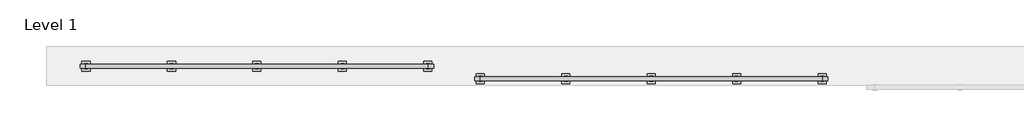
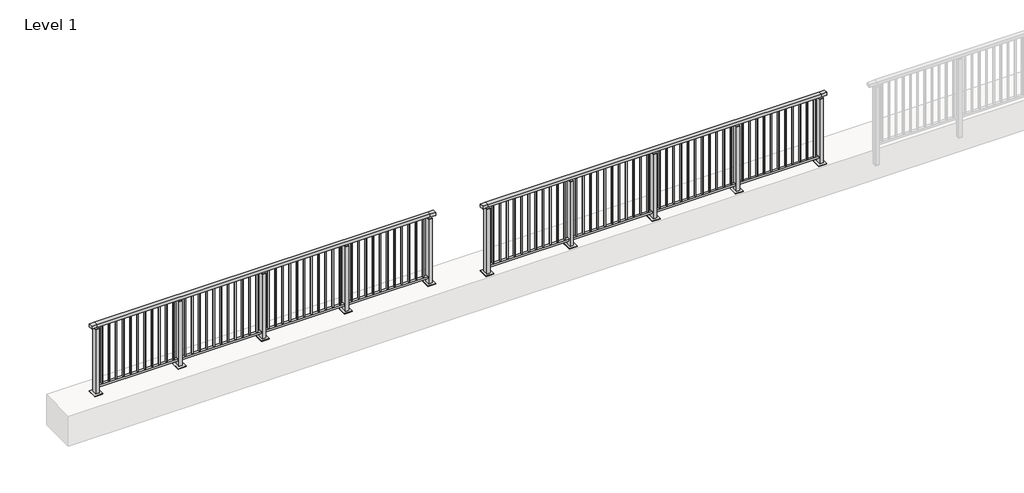
# One storey, part 8 of 38: 2 railings.
"""IFC4 building model written with IfcOpenShell, lengths in millimetres."""

from ifc_helpers import new_model, si_unit, frame, origin, origin_with_axes, place, context, project, spatial, polyline, outline, extrude, faceted_brep, element, save

model = new_model("IFC4")

# Units and contexts
model_context = context("Model", 3, world=origin())
ifc_project = project(units=[si_unit("LENGTHUNIT", "METRE", prefix="MILLI")], contexts=[model_context])

# Site, building, storey
site = spatial("IfcSite", under=ifc_project)
building = spatial("IfcBuilding", under=site)
storey = spatial("IfcBuildingStorey", under=building, Name="Level 1", Elevation=0.0)

# Railings
placement = place(None, origin())
element("IfcRailing", 1, at=placement, inside=storey, context=model_context, shape_type="SolidModel", body=[
    faceted_brep([(0.0, 15220.1846828, 1102.5), (0.0, 15220.1846828, 1150.0), (5200.0, 15220.1846828, 1150.0), (5200.0, 15220.1846828, 1102.5), (0.0, 15160.1846828, 1102.5), (5200.0, 15160.1846828, 1102.5), (0.0, 15160.1846828, 1150.0), (5200.0, 15160.1846828, 1150.0), (-87.5, 15220.1846828, 1150.0), (-87.5, 15220.1846828, 1102.5), (-87.5, 15160.1846828, 1102.5), (-87.5, 15160.1846828, 1150.0), (5287.5, 15220.1846828, 1150.0), (5287.5, 15160.1846828, 1150.0), (5287.5, 15160.1846828, 1102.5), (5287.5, 15220.1846828, 1102.5)], [[[0, 1, 2, 3]], [[4, 0, 3, 5]], [[6, 4, 5, 7]], [[1, 6, 7, 2]], [[8, 9, 10, 11]], [[9, 8, 1, 0]], [[10, 9, 0, 4]], [[11, 10, 4, 6]], [[8, 11, 6, 1]], [[12, 13, 14, 15]], [[3, 2, 12, 15]], [[5, 3, 15, 14]], [[7, 5, 14, 13]], [[2, 7, 13, 12]]]),
    extrude(outline(polyline([(0.0, 15172.1846828), (0.0, 15208.1846828), (5200.0, 15208.1846828), (5200.0, 15172.1846828), (0.0, 15172.1846828)])), frame((0.0, 0.0, 93.0), z_axis=(0.0, 0.0, 1.0), x_axis=(1.0, 0.0, 0.0)), (0.0, 0.0, 1.0), 32.0),
    extrude(outline(polyline([(5118.5, 15198.6846828), (5118.5, 15181.6846828), (5101.5, 15181.6846828), (5101.5, 15198.6846828), (5118.5, 15198.6846828)])), frame((0.0, 0.0, 125.0), z_axis=(0.0, 0.0, 1.0), x_axis=(1.0, 0.0, 0.0)), (0.0, 0.0, 1.0), 980.0),
    extrude(outline(polyline([(5006.5, 15198.6846828), (5006.5, 15181.6846828), (4989.5, 15181.6846828), (4989.5, 15198.6846828), (5006.5, 15198.6846828)])), frame((0.0, 0.0, 125.0), z_axis=(0.0, 0.0, 1.0), x_axis=(1.0, 0.0, 0.0)), (0.0, 0.0, 1.0), 980.0),
    extrude(outline(polyline([(4894.5, 15198.6846828), (4894.5, 15181.6846828), (4877.5, 15181.6846828), (4877.5, 15198.6846828), (4894.5, 15198.6846828)])), frame((0.0, 0.0, 125.0), z_axis=(0.0, 0.0, 1.0), x_axis=(1.0, 0.0, 0.0)), (0.0, 0.0, 1.0), 980.0),
    extrude(outline(polyline([(4782.5, 15198.6846828), (4782.5, 15181.6846828), (4765.5, 15181.6846828), (4765.5, 15198.6846828), (4782.5, 15198.6846828)])), frame((0.0, 0.0, 125.0), z_axis=(0.0, 0.0, 1.0), x_axis=(1.0, 0.0, 0.0)), (0.0, 0.0, 1.0), 980.0),
    extrude(outline(polyline([(4670.5, 15198.6846828), (4670.5, 15181.6846828), (4653.5, 15181.6846828), (4653.5, 15198.6846828), (4670.5, 15198.6846828)])), frame((0.0, 0.0, 125.0), z_axis=(0.0, 0.0, 1.0), x_axis=(1.0, 0.0, 0.0)), (0.0, 0.0, 1.0), 980.0),
    extrude(outline(polyline([(4558.5, 15198.6846828), (4558.5, 15181.6846828), (4541.5, 15181.6846828), (4541.5, 15198.6846828), (4558.5, 15198.6846828)])), frame((0.0, 0.0, 125.0), z_axis=(0.0, 0.0, 1.0), x_axis=(1.0, 0.0, 0.0)), (0.0, 0.0, 1.0), 980.0),
    extrude(outline(polyline([(4446.5, 15198.6846828), (4446.5, 15181.6846828), (4429.5, 15181.6846828), (4429.5, 15198.6846828), (4446.5, 15198.6846828)])), frame((0.0, 0.0, 125.0), z_axis=(0.0, 0.0, 1.0), x_axis=(1.0, 0.0, 0.0)), (0.0, 0.0, 1.0), 980.0),
    extrude(outline(polyline([(4334.5, 15198.6846828), (4334.5, 15181.6846828), (4317.5, 15181.6846828), (4317.5, 15198.6846828), (4334.5, 15198.6846828)])), frame((0.0, 0.0, 125.0), z_axis=(0.0, 0.0, 1.0), x_axis=(1.0, 0.0, 0.0)), (0.0, 0.0, 1.0), 980.0),
    extrude(outline(polyline([(4222.5, 15198.6846828), (4222.5, 15181.6846828), (4205.5, 15181.6846828), (4205.5, 15198.6846828), (4222.5, 15198.6846828)])), frame((0.0, 0.0, 125.0), z_axis=(0.0, 0.0, 1.0), x_axis=(1.0, 0.0, 0.0)), (0.0, 0.0, 1.0), 980.0),
    extrude(outline(polyline([(4110.5, 15198.6846828), (4110.5, 15181.6846828), (4093.5, 15181.6846828), (4093.5, 15198.6846828), (4110.5, 15198.6846828)])), frame((0.0, 0.0, 125.0), z_axis=(0.0, 0.0, 1.0), x_axis=(1.0, 0.0, 0.0)), (0.0, 0.0, 1.0), 980.0),
    extrude(outline(polyline([(3998.5, 15198.6846828), (3998.5, 15181.6846828), (3981.5, 15181.6846828), (3981.5, 15198.6846828), (3998.5, 15198.6846828)])), frame((0.0, 0.0, 125.0), z_axis=(0.0, 0.0, 1.0), x_axis=(1.0, 0.0, 0.0)), (0.0, 0.0, 1.0), 980.0),
    extrude(outline(polyline([(3910.0, 15180.1846828), (3890.0, 15180.1846828), (3890.0, 15200.1846828), (3910.0, 15200.1846828), (3910.0, 15180.1846828)])), frame((0.0, 0.0, 1085.0), z_axis=(0.0, 0.0, 1.0), x_axis=(1.0, 0.0, 0.0)), (0.0, 0.0, 1.0), 20.0),
    extrude(outline(polyline([(3927.0, 15151.1846828), (3873.0, 15151.1846828), (3873.0, 15229.1846828), (3927.0, 15229.1846828), (3927.0, 15151.1846828)])), frame((0.0, 0.0, 1077.0), z_axis=(0.0, 0.0, 1.0), x_axis=(1.0, 0.0, 0.0)), (0.0, 0.0, 1.0), 8.0),
    extrude(outline(polyline([(3962.5, 15115.1846828), (3837.5, 15115.1846828), (3837.5, 15265.1846828), (3962.5, 15265.1846828), (3962.5, 15115.1846828)])), origin_with_axes(), (0.0, 0.0, 1.0), 12.0),
    extrude(outline(polyline([(3927.0, 15151.1846828), (3873.0, 15151.1846828), (3873.0, 15229.1846828), (3927.0, 15229.1846828), (3927.0, 15151.1846828)])), frame((0.0, 0.0, 12.0), z_axis=(0.0, 0.0, 1.0), x_axis=(1.0, 0.0, 0.0)), (0.0, 0.0, 1.0), 1065.0),
    extrude(outline(polyline([(3818.5, 15198.6846828), (3818.5, 15181.6846828), (3801.5, 15181.6846828), (3801.5, 15198.6846828), (3818.5, 15198.6846828)])), frame((0.0, 0.0, 125.0), z_axis=(0.0, 0.0, 1.0), x_axis=(1.0, 0.0, 0.0)), (0.0, 0.0, 1.0), 980.0),
    extrude(outline(polyline([(3706.5, 15198.6846828), (3706.5, 15181.6846828), (3689.5, 15181.6846828), (3689.5, 15198.6846828), (3706.5, 15198.6846828)])), frame((0.0, 0.0, 125.0), z_axis=(0.0, 0.0, 1.0), x_axis=(1.0, 0.0, 0.0)), (0.0, 0.0, 1.0), 980.0),
    extrude(outline(polyline([(3594.5, 15198.6846828), (3594.5, 15181.6846828), (3577.5, 15181.6846828), (3577.5, 15198.6846828), (3594.5, 15198.6846828)])), frame((0.0, 0.0, 125.0), z_axis=(0.0, 0.0, 1.0), x_axis=(1.0, 0.0, 0.0)), (0.0, 0.0, 1.0), 980.0),
    extrude(outline(polyline([(3482.5, 15198.6846828), (3482.5, 15181.6846828), (3465.5, 15181.6846828), (3465.5, 15198.6846828), (3482.5, 15198.6846828)])), frame((0.0, 0.0, 125.0), z_axis=(0.0, 0.0, 1.0), x_axis=(1.0, 0.0, 0.0)), (0.0, 0.0, 1.0), 980.0),
    extrude(outline(polyline([(3370.5, 15198.6846828), (3370.5, 15181.6846828), (3353.5, 15181.6846828), (3353.5, 15198.6846828), (3370.5, 15198.6846828)])), frame((0.0, 0.0, 125.0), z_axis=(0.0, 0.0, 1.0), x_axis=(1.0, 0.0, 0.0)), (0.0, 0.0, 1.0), 980.0),
    extrude(outline(polyline([(3258.5, 15198.6846828), (3258.5, 15181.6846828), (3241.5, 15181.6846828), (3241.5, 15198.6846828), (3258.5, 15198.6846828)])), frame((0.0, 0.0, 125.0), z_axis=(0.0, 0.0, 1.0), x_axis=(1.0, 0.0, 0.0)), (0.0, 0.0, 1.0), 980.0),
    extrude(outline(polyline([(3146.5, 15198.6846828), (3146.5, 15181.6846828), (3129.5, 15181.6846828), (3129.5, 15198.6846828), (3146.5, 15198.6846828)])), frame((0.0, 0.0, 125.0), z_axis=(0.0, 0.0, 1.0), x_axis=(1.0, 0.0, 0.0)), (0.0, 0.0, 1.0), 980.0),
    extrude(outline(polyline([(3034.5, 15198.6846828), (3034.5, 15181.6846828), (3017.5, 15181.6846828), (3017.5, 15198.6846828), (3034.5, 15198.6846828)])), frame((0.0, 0.0, 125.0), z_axis=(0.0, 0.0, 1.0), x_axis=(1.0, 0.0, 0.0)), (0.0, 0.0, 1.0), 980.0),
    extrude(outline(polyline([(2922.5, 15198.6846828), (2922.5, 15181.6846828), (2905.5, 15181.6846828), (2905.5, 15198.6846828), (2922.5, 15198.6846828)])), frame((0.0, 0.0, 125.0), z_axis=(0.0, 0.0, 1.0), x_axis=(1.0, 0.0, 0.0)), (0.0, 0.0, 1.0), 980.0),
    extrude(outline(polyline([(2810.5, 15198.6846828), (2810.5, 15181.6846828), (2793.5, 15181.6846828), (2793.5, 15198.6846828), (2810.5, 15198.6846828)])), frame((0.0, 0.0, 125.0), z_axis=(0.0, 0.0, 1.0), x_axis=(1.0, 0.0, 0.0)), (0.0, 0.0, 1.0), 980.0),
    extrude(outline(polyline([(2698.5, 15198.6846828), (2698.5, 15181.6846828), (2681.5, 15181.6846828), (2681.5, 15198.6846828), (2698.5, 15198.6846828)])), frame((0.0, 0.0, 125.0), z_axis=(0.0, 0.0, 1.0), x_axis=(1.0, 0.0, 0.0)), (0.0, 0.0, 1.0), 980.0),
    extrude(outline(polyline([(2610.0, 15180.1846828), (2590.0, 15180.1846828), (2590.0, 15200.1846828), (2610.0, 15200.1846828), (2610.0, 15180.1846828)])), frame((0.0, 0.0, 1085.0), z_axis=(0.0, 0.0, 1.0), x_axis=(1.0, 0.0, 0.0)), (0.0, 0.0, 1.0), 20.0),
    extrude(outline(polyline([(2627.0, 15151.1846828), (2573.0, 15151.1846828), (2573.0, 15229.1846828), (2627.0, 15229.1846828), (2627.0, 15151.1846828)])), frame((0.0, 0.0, 1077.0), z_axis=(0.0, 0.0, 1.0), x_axis=(1.0, 0.0, 0.0)), (0.0, 0.0, 1.0), 8.0),
    extrude(outline(polyline([(2662.5, 15115.1846828), (2537.5, 15115.1846828), (2537.5, 15265.1846828), (2662.5, 15265.1846828), (2662.5, 15115.1846828)])), origin_with_axes(), (0.0, 0.0, 1.0), 12.0),
    extrude(outline(polyline([(2627.0, 15151.1846828), (2573.0, 15151.1846828), (2573.0, 15229.1846828), (2627.0, 15229.1846828), (2627.0, 15151.1846828)])), frame((0.0, 0.0, 12.0), z_axis=(0.0, 0.0, 1.0), x_axis=(1.0, 0.0, 0.0)), (0.0, 0.0, 1.0), 1065.0),
    extrude(outline(polyline([(2518.5, 15198.6846828), (2518.5, 15181.6846828), (2501.5, 15181.6846828), (2501.5, 15198.6846828), (2518.5, 15198.6846828)])), frame((0.0, 0.0, 125.0), z_axis=(0.0, 0.0, 1.0), x_axis=(1.0, 0.0, 0.0)), (0.0, 0.0, 1.0), 980.0),
    extrude(outline(polyline([(2406.5, 15198.6846828), (2406.5, 15181.6846828), (2389.5, 15181.6846828), (2389.5, 15198.6846828), (2406.5, 15198.6846828)])), frame((0.0, 0.0, 125.0), z_axis=(0.0, 0.0, 1.0), x_axis=(1.0, 0.0, 0.0)), (0.0, 0.0, 1.0), 980.0),
    extrude(outline(polyline([(2294.5, 15198.6846828), (2294.5, 15181.6846828), (2277.5, 15181.6846828), (2277.5, 15198.6846828), (2294.5, 15198.6846828)])), frame((0.0, 0.0, 125.0), z_axis=(0.0, 0.0, 1.0), x_axis=(1.0, 0.0, 0.0)), (0.0, 0.0, 1.0), 980.0),
    extrude(outline(polyline([(2182.5, 15198.6846828), (2182.5, 15181.6846828), (2165.5, 15181.6846828), (2165.5, 15198.6846828), (2182.5, 15198.6846828)])), frame((0.0, 0.0, 125.0), z_axis=(0.0, 0.0, 1.0), x_axis=(1.0, 0.0, 0.0)), (0.0, 0.0, 1.0), 980.0),
    extrude(outline(polyline([(2070.5, 15198.6846828), (2070.5, 15181.6846828), (2053.5, 15181.6846828), (2053.5, 15198.6846828), (2070.5, 15198.6846828)])), frame((0.0, 0.0, 125.0), z_axis=(0.0, 0.0, 1.0), x_axis=(1.0, 0.0, 0.0)), (0.0, 0.0, 1.0), 980.0),
    extrude(outline(polyline([(1958.5, 15198.6846828), (1958.5, 15181.6846828), (1941.5, 15181.6846828), (1941.5, 15198.6846828), (1958.5, 15198.6846828)])), frame((0.0, 0.0, 125.0), z_axis=(0.0, 0.0, 1.0), x_axis=(1.0, 0.0, 0.0)), (0.0, 0.0, 1.0), 980.0),
    extrude(outline(polyline([(1846.5, 15198.6846828), (1846.5, 15181.6846828), (1829.5, 15181.6846828), (1829.5, 15198.6846828), (1846.5, 15198.6846828)])), frame((0.0, 0.0, 125.0), z_axis=(0.0, 0.0, 1.0), x_axis=(1.0, 0.0, 0.0)), (0.0, 0.0, 1.0), 980.0),
    extrude(outline(polyline([(1734.5, 15198.6846828), (1734.5, 15181.6846828), (1717.5, 15181.6846828), (1717.5, 15198.6846828), (1734.5, 15198.6846828)])), frame((0.0, 0.0, 125.0), z_axis=(0.0, 0.0, 1.0), x_axis=(1.0, 0.0, 0.0)), (0.0, 0.0, 1.0), 980.0),
    extrude(outline(polyline([(1622.5, 15198.6846828), (1622.5, 15181.6846828), (1605.5, 15181.6846828), (1605.5, 15198.6846828), (1622.5, 15198.6846828)])), frame((0.0, 0.0, 125.0), z_axis=(0.0, 0.0, 1.0), x_axis=(1.0, 0.0, 0.0)), (0.0, 0.0, 1.0), 980.0),
    extrude(outline(polyline([(1510.5, 15198.6846828), (1510.5, 15181.6846828), (1493.5, 15181.6846828), (1493.5, 15198.6846828), (1510.5, 15198.6846828)])), frame((0.0, 0.0, 125.0), z_axis=(0.0, 0.0, 1.0), x_axis=(1.0, 0.0, 0.0)), (0.0, 0.0, 1.0), 980.0),
    extrude(outline(polyline([(1398.5, 15198.6846828), (1398.5, 15181.6846828), (1381.5, 15181.6846828), (1381.5, 15198.6846828), (1398.5, 15198.6846828)])), frame((0.0, 0.0, 125.0), z_axis=(0.0, 0.0, 1.0), x_axis=(1.0, 0.0, 0.0)), (0.0, 0.0, 1.0), 980.0),
    extrude(outline(polyline([(1310.0, 15180.1846828), (1290.0, 15180.1846828), (1290.0, 15200.1846828), (1310.0, 15200.1846828), (1310.0, 15180.1846828)])), frame((0.0, 0.0, 1085.0), z_axis=(0.0, 0.0, 1.0), x_axis=(1.0, 0.0, 0.0)), (0.0, 0.0, 1.0), 20.0),
    extrude(outline(polyline([(1327.0, 15151.1846828), (1273.0, 15151.1846828), (1273.0, 15229.1846828), (1327.0, 15229.1846828), (1327.0, 15151.1846828)])), frame((0.0, 0.0, 1077.0), z_axis=(0.0, 0.0, 1.0), x_axis=(1.0, 0.0, 0.0)), (0.0, 0.0, 1.0), 8.0),
    extrude(outline(polyline([(1362.5, 15115.1846828), (1237.5, 15115.1846828), (1237.5, 15265.1846828), (1362.5, 15265.1846828), (1362.5, 15115.1846828)])), origin_with_axes(), (0.0, 0.0, 1.0), 12.0),
    extrude(outline(polyline([(1327.0, 15151.1846828), (1273.0, 15151.1846828), (1273.0, 15229.1846828), (1327.0, 15229.1846828), (1327.0, 15151.1846828)])), frame((0.0, 0.0, 12.0), z_axis=(0.0, 0.0, 1.0), x_axis=(1.0, 0.0, 0.0)), (0.0, 0.0, 1.0), 1065.0),
    extrude(outline(polyline([(1218.5, 15198.6846828), (1218.5, 15181.6846828), (1201.5, 15181.6846828), (1201.5, 15198.6846828), (1218.5, 15198.6846828)])), frame((0.0, 0.0, 125.0), z_axis=(0.0, 0.0, 1.0), x_axis=(1.0, 0.0, 0.0)), (0.0, 0.0, 1.0), 980.0),
    extrude(outline(polyline([(1106.5, 15198.6846828), (1106.5, 15181.6846828), (1089.5, 15181.6846828), (1089.5, 15198.6846828), (1106.5, 15198.6846828)])), frame((0.0, 0.0, 125.0), z_axis=(0.0, 0.0, 1.0), x_axis=(1.0, 0.0, 0.0)), (0.0, 0.0, 1.0), 980.0),
    extrude(outline(polyline([(994.5, 15198.6846828), (994.5, 15181.6846828), (977.5, 15181.6846828), (977.5, 15198.6846828), (994.5, 15198.6846828)])), frame((0.0, 0.0, 125.0), z_axis=(0.0, 0.0, 1.0), x_axis=(1.0, 0.0, 0.0)), (0.0, 0.0, 1.0), 980.0),
    extrude(outline(polyline([(882.5, 15198.6846828), (882.5, 15181.6846828), (865.5, 15181.6846828), (865.5, 15198.6846828), (882.5, 15198.6846828)])), frame((0.0, 0.0, 125.0), z_axis=(0.0, 0.0, 1.0), x_axis=(1.0, 0.0, 0.0)), (0.0, 0.0, 1.0), 980.0),
    extrude(outline(polyline([(770.5, 15198.6846828), (770.5, 15181.6846828), (753.5, 15181.6846828), (753.5, 15198.6846828), (770.5, 15198.6846828)])), frame((0.0, 0.0, 125.0), z_axis=(0.0, 0.0, 1.0), x_axis=(1.0, 0.0, 0.0)), (0.0, 0.0, 1.0), 980.0),
    extrude(outline(polyline([(658.5, 15198.6846828), (658.5, 15181.6846828), (641.5, 15181.6846828), (641.5, 15198.6846828), (658.5, 15198.6846828)])), frame((0.0, 0.0, 125.0), z_axis=(0.0, 0.0, 1.0), x_axis=(1.0, 0.0, 0.0)), (0.0, 0.0, 1.0), 980.0),
    extrude(outline(polyline([(546.5, 15198.6846828), (546.5, 15181.6846828), (529.5, 15181.6846828), (529.5, 15198.6846828), (546.5, 15198.6846828)])), frame((0.0, 0.0, 125.0), z_axis=(0.0, 0.0, 1.0), x_axis=(1.0, 0.0, 0.0)), (0.0, 0.0, 1.0), 980.0),
    extrude(outline(polyline([(434.5, 15198.6846828), (434.5, 15181.6846828), (417.5, 15181.6846828), (417.5, 15198.6846828), (434.5, 15198.6846828)])), frame((0.0, 0.0, 125.0), z_axis=(0.0, 0.0, 1.0), x_axis=(1.0, 0.0, 0.0)), (0.0, 0.0, 1.0), 980.0),
    extrude(outline(polyline([(322.5, 15198.6846828), (322.5, 15181.6846828), (305.5, 15181.6846828), (305.5, 15198.6846828), (322.5, 15198.6846828)])), frame((0.0, 0.0, 125.0), z_axis=(0.0, 0.0, 1.0), x_axis=(1.0, 0.0, 0.0)), (0.0, 0.0, 1.0), 980.0),
    extrude(outline(polyline([(210.5, 15198.6846828), (210.5, 15181.6846828), (193.5, 15181.6846828), (193.5, 15198.6846828), (210.5, 15198.6846828)])), frame((0.0, 0.0, 125.0), z_axis=(0.0, 0.0, 1.0), x_axis=(1.0, 0.0, 0.0)), (0.0, 0.0, 1.0), 980.0),
    extrude(outline(polyline([(98.5, 15198.6846828), (98.5, 15181.6846828), (81.5, 15181.6846828), (81.5, 15198.6846828), (98.5, 15198.6846828)])), frame((0.0, 0.0, 125.0), z_axis=(0.0, 0.0, 1.0), x_axis=(1.0, 0.0, 0.0)), (0.0, 0.0, 1.0), 980.0),
    extrude(outline(polyline([(5210.0, 15180.1846828), (5190.0, 15180.1846828), (5190.0, 15200.1846828), (5210.0, 15200.1846828), (5210.0, 15180.1846828)])), frame((0.0, 0.0, 1085.0), z_axis=(0.0, 0.0, 1.0), x_axis=(1.0, 0.0, 0.0)), (0.0, 0.0, 1.0), 20.0),
    extrude(outline(polyline([(5227.0, 15151.1846828), (5173.0, 15151.1846828), (5173.0, 15229.1846828), (5227.0, 15229.1846828), (5227.0, 15151.1846828)])), frame((0.0, 0.0, 1077.0), z_axis=(0.0, 0.0, 1.0), x_axis=(1.0, 0.0, 0.0)), (0.0, 0.0, 1.0), 8.0),
    extrude(outline(polyline([(5262.5, 15115.1846828), (5137.5, 15115.1846828), (5137.5, 15265.1846828), (5262.5, 15265.1846828), (5262.5, 15115.1846828)])), origin_with_axes(), (0.0, 0.0, 1.0), 12.0),
    extrude(outline(polyline([(5227.0, 15151.1846828), (5173.0, 15151.1846828), (5173.0, 15229.1846828), (5227.0, 15229.1846828), (5227.0, 15151.1846828)])), frame((0.0, 0.0, 12.0), z_axis=(0.0, 0.0, 1.0), x_axis=(1.0, 0.0, 0.0)), (0.0, 0.0, 1.0), 1065.0),
    extrude(outline(polyline([(10.0, 15180.1846828), (-10.0, 15180.1846828), (-10.0, 15200.1846828), (10.0, 15200.1846828), (10.0, 15180.1846828)])), frame((0.0, 0.0, 1085.0), z_axis=(0.0, 0.0, 1.0), x_axis=(1.0, 0.0, 0.0)), (0.0, 0.0, 1.0), 20.0),
    extrude(outline(polyline([(27.0, 15151.1846828), (-27.0, 15151.1846828), (-27.0, 15229.1846828), (27.0, 15229.1846828), (27.0, 15151.1846828)])), frame((0.0, 0.0, 1077.0), z_axis=(0.0, 0.0, 1.0), x_axis=(1.0, 0.0, 0.0)), (0.0, 0.0, 1.0), 8.0),
    extrude(outline(polyline([(62.5, 15115.1846828), (-62.5, 15115.1846828), (-62.5, 15265.1846828), (62.5, 15265.1846828), (62.5, 15115.1846828)])), origin_with_axes(), (0.0, 0.0, 1.0), 12.0),
    extrude(outline(polyline([(27.0, 15151.1846828), (-27.0, 15151.1846828), (-27.0, 15229.1846828), (27.0, 15229.1846828), (27.0, 15151.1846828)])), frame((0.0, 0.0, 12.0), z_axis=(0.0, 0.0, 1.0), x_axis=(1.0, 0.0, 0.0)), (0.0, 0.0, 1.0), 1065.0),
])
element("IfcRailing", 2, at=placement, inside=storey, context=model_context, shape_type="SolidModel", body=[
    faceted_brep([(6000.0, 15030.1846828, 1102.5), (6000.0, 15030.1846828, 1150.0), (11200.0, 15030.1846828, 1150.0), (11200.0, 15030.1846828, 1102.5), (6000.0, 14970.1846828, 1102.5), (11200.0, 14970.1846828, 1102.5), (6000.0, 14970.1846828, 1150.0), (11200.0, 14970.1846828, 1150.0), (5912.5, 15030.1846828, 1150.0), (5912.5, 15030.1846828, 1102.5), (5912.5, 14970.1846828, 1102.5), (5912.5, 14970.1846828, 1150.0), (11287.5, 15030.1846828, 1150.0), (11287.5, 14970.1846828, 1150.0), (11287.5, 14970.1846828, 1102.5), (11287.5, 15030.1846828, 1102.5)], [[[0, 1, 2, 3]], [[4, 0, 3, 5]], [[6, 4, 5, 7]], [[1, 6, 7, 2]], [[8, 9, 10, 11]], [[9, 8, 1, 0]], [[10, 9, 0, 4]], [[11, 10, 4, 6]], [[8, 11, 6, 1]], [[12, 13, 14, 15]], [[3, 2, 12, 15]], [[5, 3, 15, 14]], [[7, 5, 14, 13]], [[2, 7, 13, 12]]]),
    extrude(outline(polyline([(6000.0, 14982.1846828), (6000.0, 15018.1846828), (11200.0, 15018.1846828), (11200.0, 14982.1846828), (6000.0, 14982.1846828)])), frame((0.0, 0.0, 93.0), z_axis=(0.0, 0.0, 1.0), x_axis=(1.0, 0.0, 0.0)), (0.0, 0.0, 1.0), 32.0),
    extrude(outline(polyline([(11118.5, 15008.6846828), (11118.5, 14991.6846828), (11101.5, 14991.6846828), (11101.5, 15008.6846828), (11118.5, 15008.6846828)])), frame((0.0, 0.0, 125.0), z_axis=(0.0, 0.0, 1.0), x_axis=(1.0, 0.0, 0.0)), (0.0, 0.0, 1.0), 980.0),
    extrude(outline(polyline([(11006.5, 15008.6846828), (11006.5, 14991.6846828), (10989.5, 14991.6846828), (10989.5, 15008.6846828), (11006.5, 15008.6846828)])), frame((0.0, 0.0, 125.0), z_axis=(0.0, 0.0, 1.0), x_axis=(1.0, 0.0, 0.0)), (0.0, 0.0, 1.0), 980.0),
    extrude(outline(polyline([(10894.5, 15008.6846828), (10894.5, 14991.6846828), (10877.5, 14991.6846828), (10877.5, 15008.6846828), (10894.5, 15008.6846828)])), frame((0.0, 0.0, 125.0), z_axis=(0.0, 0.0, 1.0), x_axis=(1.0, 0.0, 0.0)), (0.0, 0.0, 1.0), 980.0),
    extrude(outline(polyline([(10782.5, 15008.6846828), (10782.5, 14991.6846828), (10765.5, 14991.6846828), (10765.5, 15008.6846828), (10782.5, 15008.6846828)])), frame((0.0, 0.0, 125.0), z_axis=(0.0, 0.0, 1.0), x_axis=(1.0, 0.0, 0.0)), (0.0, 0.0, 1.0), 980.0),
    extrude(outline(polyline([(10670.5, 15008.6846828), (10670.5, 14991.6846828), (10653.5, 14991.6846828), (10653.5, 15008.6846828), (10670.5, 15008.6846828)])), frame((0.0, 0.0, 125.0), z_axis=(0.0, 0.0, 1.0), x_axis=(1.0, 0.0, 0.0)), (0.0, 0.0, 1.0), 980.0),
    extrude(outline(polyline([(10558.5, 15008.6846828), (10558.5, 14991.6846828), (10541.5, 14991.6846828), (10541.5, 15008.6846828), (10558.5, 15008.6846828)])), frame((0.0, 0.0, 125.0), z_axis=(0.0, 0.0, 1.0), x_axis=(1.0, 0.0, 0.0)), (0.0, 0.0, 1.0), 980.0),
    extrude(outline(polyline([(10446.5, 15008.6846828), (10446.5, 14991.6846828), (10429.5, 14991.6846828), (10429.5, 15008.6846828), (10446.5, 15008.6846828)])), frame((0.0, 0.0, 125.0), z_axis=(0.0, 0.0, 1.0), x_axis=(1.0, 0.0, 0.0)), (0.0, 0.0, 1.0), 980.0),
    extrude(outline(polyline([(10334.5, 15008.6846828), (10334.5, 14991.6846828), (10317.5, 14991.6846828), (10317.5, 15008.6846828), (10334.5, 15008.6846828)])), frame((0.0, 0.0, 125.0), z_axis=(0.0, 0.0, 1.0), x_axis=(1.0, 0.0, 0.0)), (0.0, 0.0, 1.0), 980.0),
    extrude(outline(polyline([(10222.5, 15008.6846828), (10222.5, 14991.6846828), (10205.5, 14991.6846828), (10205.5, 15008.6846828), (10222.5, 15008.6846828)])), frame((0.0, 0.0, 125.0), z_axis=(0.0, 0.0, 1.0), x_axis=(1.0, 0.0, 0.0)), (0.0, 0.0, 1.0), 980.0),
    extrude(outline(polyline([(10110.5, 15008.6846828), (10110.5, 14991.6846828), (10093.5, 14991.6846828), (10093.5, 15008.6846828), (10110.5, 15008.6846828)])), frame((0.0, 0.0, 125.0), z_axis=(0.0, 0.0, 1.0), x_axis=(1.0, 0.0, 0.0)), (0.0, 0.0, 1.0), 980.0),
    extrude(outline(polyline([(9998.5, 15008.6846828), (9998.5, 14991.6846828), (9981.5, 14991.6846828), (9981.5, 15008.6846828), (9998.5, 15008.6846828)])), frame((0.0, 0.0, 125.0), z_axis=(0.0, 0.0, 1.0), x_axis=(1.0, 0.0, 0.0)), (0.0, 0.0, 1.0), 980.0),
    extrude(outline(polyline([(9910.0, 14990.1846828), (9890.0, 14990.1846828), (9890.0, 15010.1846828), (9910.0, 15010.1846828), (9910.0, 14990.1846828)])), frame((0.0, 0.0, 1085.0), z_axis=(0.0, 0.0, 1.0), x_axis=(1.0, 0.0, 0.0)), (0.0, 0.0, 1.0), 20.0),
    extrude(outline(polyline([(9927.0, 14961.1846828), (9873.0, 14961.1846828), (9873.0, 15039.1846828), (9927.0, 15039.1846828), (9927.0, 14961.1846828)])), frame((0.0, 0.0, 1077.0), z_axis=(0.0, 0.0, 1.0), x_axis=(1.0, 0.0, 0.0)), (0.0, 0.0, 1.0), 8.0),
    extrude(outline(polyline([(9962.5, 14925.1846828), (9837.5, 14925.1846828), (9837.5, 15075.1846828), (9962.5, 15075.1846828), (9962.5, 14925.1846828)])), origin_with_axes(), (0.0, 0.0, 1.0), 12.0),
    extrude(outline(polyline([(9927.0, 14961.1846828), (9873.0, 14961.1846828), (9873.0, 15039.1846828), (9927.0, 15039.1846828), (9927.0, 14961.1846828)])), frame((0.0, 0.0, 12.0), z_axis=(0.0, 0.0, 1.0), x_axis=(1.0, 0.0, 0.0)), (0.0, 0.0, 1.0), 1065.0),
    extrude(outline(polyline([(9818.5, 15008.6846828), (9818.5, 14991.6846828), (9801.5, 14991.6846828), (9801.5, 15008.6846828), (9818.5, 15008.6846828)])), frame((0.0, 0.0, 125.0), z_axis=(0.0, 0.0, 1.0), x_axis=(1.0, 0.0, 0.0)), (0.0, 0.0, 1.0), 980.0),
    extrude(outline(polyline([(9706.5, 15008.6846828), (9706.5, 14991.6846828), (9689.5, 14991.6846828), (9689.5, 15008.6846828), (9706.5, 15008.6846828)])), frame((0.0, 0.0, 125.0), z_axis=(0.0, 0.0, 1.0), x_axis=(1.0, 0.0, 0.0)), (0.0, 0.0, 1.0), 980.0),
    extrude(outline(polyline([(9594.5, 15008.6846828), (9594.5, 14991.6846828), (9577.5, 14991.6846828), (9577.5, 15008.6846828), (9594.5, 15008.6846828)])), frame((0.0, 0.0, 125.0), z_axis=(0.0, 0.0, 1.0), x_axis=(1.0, 0.0, 0.0)), (0.0, 0.0, 1.0), 980.0),
    extrude(outline(polyline([(9482.5, 15008.6846828), (9482.5, 14991.6846828), (9465.5, 14991.6846828), (9465.5, 15008.6846828), (9482.5, 15008.6846828)])), frame((0.0, 0.0, 125.0), z_axis=(0.0, 0.0, 1.0), x_axis=(1.0, 0.0, 0.0)), (0.0, 0.0, 1.0), 980.0),
    extrude(outline(polyline([(9370.5, 15008.6846828), (9370.5, 14991.6846828), (9353.5, 14991.6846828), (9353.5, 15008.6846828), (9370.5, 15008.6846828)])), frame((0.0, 0.0, 125.0), z_axis=(0.0, 0.0, 1.0), x_axis=(1.0, 0.0, 0.0)), (0.0, 0.0, 1.0), 980.0),
    extrude(outline(polyline([(9258.5, 15008.6846828), (9258.5, 14991.6846828), (9241.5, 14991.6846828), (9241.5, 15008.6846828), (9258.5, 15008.6846828)])), frame((0.0, 0.0, 125.0), z_axis=(0.0, 0.0, 1.0), x_axis=(1.0, 0.0, 0.0)), (0.0, 0.0, 1.0), 980.0),
    extrude(outline(polyline([(9146.5, 15008.6846828), (9146.5, 14991.6846828), (9129.5, 14991.6846828), (9129.5, 15008.6846828), (9146.5, 15008.6846828)])), frame((0.0, 0.0, 125.0), z_axis=(0.0, 0.0, 1.0), x_axis=(1.0, 0.0, 0.0)), (0.0, 0.0, 1.0), 980.0),
    extrude(outline(polyline([(9034.5, 15008.6846828), (9034.5, 14991.6846828), (9017.5, 14991.6846828), (9017.5, 15008.6846828), (9034.5, 15008.6846828)])), frame((0.0, 0.0, 125.0), z_axis=(0.0, 0.0, 1.0), x_axis=(1.0, 0.0, 0.0)), (0.0, 0.0, 1.0), 980.0),
    extrude(outline(polyline([(8922.5, 15008.6846828), (8922.5, 14991.6846828), (8905.5, 14991.6846828), (8905.5, 15008.6846828), (8922.5, 15008.6846828)])), frame((0.0, 0.0, 125.0), z_axis=(0.0, 0.0, 1.0), x_axis=(1.0, 0.0, 0.0)), (0.0, 0.0, 1.0), 980.0),
    extrude(outline(polyline([(8810.5, 15008.6846828), (8810.5, 14991.6846828), (8793.5, 14991.6846828), (8793.5, 15008.6846828), (8810.5, 15008.6846828)])), frame((0.0, 0.0, 125.0), z_axis=(0.0, 0.0, 1.0), x_axis=(1.0, 0.0, 0.0)), (0.0, 0.0, 1.0), 980.0),
    extrude(outline(polyline([(8698.5, 15008.6846828), (8698.5, 14991.6846828), (8681.5, 14991.6846828), (8681.5, 15008.6846828), (8698.5, 15008.6846828)])), frame((0.0, 0.0, 125.0), z_axis=(0.0, 0.0, 1.0), x_axis=(1.0, 0.0, 0.0)), (0.0, 0.0, 1.0), 980.0),
    extrude(outline(polyline([(8610.0, 14990.1846828), (8590.0, 14990.1846828), (8590.0, 15010.1846828), (8610.0, 15010.1846828), (8610.0, 14990.1846828)])), frame((0.0, 0.0, 1085.0), z_axis=(0.0, 0.0, 1.0), x_axis=(1.0, 0.0, 0.0)), (0.0, 0.0, 1.0), 20.0),
    extrude(outline(polyline([(8627.0, 14961.1846828), (8573.0, 14961.1846828), (8573.0, 15039.1846828), (8627.0, 15039.1846828), (8627.0, 14961.1846828)])), frame((0.0, 0.0, 1077.0), z_axis=(0.0, 0.0, 1.0), x_axis=(1.0, 0.0, 0.0)), (0.0, 0.0, 1.0), 8.0),
    extrude(outline(polyline([(8662.5, 14925.1846828), (8537.5, 14925.1846828), (8537.5, 15075.1846828), (8662.5, 15075.1846828), (8662.5, 14925.1846828)])), origin_with_axes(), (0.0, 0.0, 1.0), 12.0),
    extrude(outline(polyline([(8627.0, 14961.1846828), (8573.0, 14961.1846828), (8573.0, 15039.1846828), (8627.0, 15039.1846828), (8627.0, 14961.1846828)])), frame((0.0, 0.0, 12.0), z_axis=(0.0, 0.0, 1.0), x_axis=(1.0, 0.0, 0.0)), (0.0, 0.0, 1.0), 1065.0),
    extrude(outline(polyline([(8518.5, 15008.6846828), (8518.5, 14991.6846828), (8501.5, 14991.6846828), (8501.5, 15008.6846828), (8518.5, 15008.6846828)])), frame((0.0, 0.0, 125.0), z_axis=(0.0, 0.0, 1.0), x_axis=(1.0, 0.0, 0.0)), (0.0, 0.0, 1.0), 980.0),
    extrude(outline(polyline([(8406.5, 15008.6846828), (8406.5, 14991.6846828), (8389.5, 14991.6846828), (8389.5, 15008.6846828), (8406.5, 15008.6846828)])), frame((0.0, 0.0, 125.0), z_axis=(0.0, 0.0, 1.0), x_axis=(1.0, 0.0, 0.0)), (0.0, 0.0, 1.0), 980.0),
    extrude(outline(polyline([(8294.5, 15008.6846828), (8294.5, 14991.6846828), (8277.5, 14991.6846828), (8277.5, 15008.6846828), (8294.5, 15008.6846828)])), frame((0.0, 0.0, 125.0), z_axis=(0.0, 0.0, 1.0), x_axis=(1.0, 0.0, 0.0)), (0.0, 0.0, 1.0), 980.0),
    extrude(outline(polyline([(8182.5, 15008.6846828), (8182.5, 14991.6846828), (8165.5, 14991.6846828), (8165.5, 15008.6846828), (8182.5, 15008.6846828)])), frame((0.0, 0.0, 125.0), z_axis=(0.0, 0.0, 1.0), x_axis=(1.0, 0.0, 0.0)), (0.0, 0.0, 1.0), 980.0),
    extrude(outline(polyline([(8070.5, 15008.6846828), (8070.5, 14991.6846828), (8053.5, 14991.6846828), (8053.5, 15008.6846828), (8070.5, 15008.6846828)])), frame((0.0, 0.0, 125.0), z_axis=(0.0, 0.0, 1.0), x_axis=(1.0, 0.0, 0.0)), (0.0, 0.0, 1.0), 980.0),
    extrude(outline(polyline([(7958.5, 15008.6846828), (7958.5, 14991.6846828), (7941.5, 14991.6846828), (7941.5, 15008.6846828), (7958.5, 15008.6846828)])), frame((0.0, 0.0, 125.0), z_axis=(0.0, 0.0, 1.0), x_axis=(1.0, 0.0, 0.0)), (0.0, 0.0, 1.0), 980.0),
    extrude(outline(polyline([(7846.5, 15008.6846828), (7846.5, 14991.6846828), (7829.5, 14991.6846828), (7829.5, 15008.6846828), (7846.5, 15008.6846828)])), frame((0.0, 0.0, 125.0), z_axis=(0.0, 0.0, 1.0), x_axis=(1.0, 0.0, 0.0)), (0.0, 0.0, 1.0), 980.0),
    extrude(outline(polyline([(7734.5, 15008.6846828), (7734.5, 14991.6846828), (7717.5, 14991.6846828), (7717.5, 15008.6846828), (7734.5, 15008.6846828)])), frame((0.0, 0.0, 125.0), z_axis=(0.0, 0.0, 1.0), x_axis=(1.0, 0.0, 0.0)), (0.0, 0.0, 1.0), 980.0),
    extrude(outline(polyline([(7622.5, 15008.6846828), (7622.5, 14991.6846828), (7605.5, 14991.6846828), (7605.5, 15008.6846828), (7622.5, 15008.6846828)])), frame((0.0, 0.0, 125.0), z_axis=(0.0, 0.0, 1.0), x_axis=(1.0, 0.0, 0.0)), (0.0, 0.0, 1.0), 980.0),
    extrude(outline(polyline([(7510.5, 15008.6846828), (7510.5, 14991.6846828), (7493.5, 14991.6846828), (7493.5, 15008.6846828), (7510.5, 15008.6846828)])), frame((0.0, 0.0, 125.0), z_axis=(0.0, 0.0, 1.0), x_axis=(1.0, 0.0, 0.0)), (0.0, 0.0, 1.0), 980.0),
    extrude(outline(polyline([(7398.5, 15008.6846828), (7398.5, 14991.6846828), (7381.5, 14991.6846828), (7381.5, 15008.6846828), (7398.5, 15008.6846828)])), frame((0.0, 0.0, 125.0), z_axis=(0.0, 0.0, 1.0), x_axis=(1.0, 0.0, 0.0)), (0.0, 0.0, 1.0), 980.0),
    extrude(outline(polyline([(7310.0, 14990.1846828), (7290.0, 14990.1846828), (7290.0, 15010.1846828), (7310.0, 15010.1846828), (7310.0, 14990.1846828)])), frame((0.0, 0.0, 1085.0), z_axis=(0.0, 0.0, 1.0), x_axis=(1.0, 0.0, 0.0)), (0.0, 0.0, 1.0), 20.0),
    extrude(outline(polyline([(7327.0, 14961.1846828), (7273.0, 14961.1846828), (7273.0, 15039.1846828), (7327.0, 15039.1846828), (7327.0, 14961.1846828)])), frame((0.0, 0.0, 1077.0), z_axis=(0.0, 0.0, 1.0), x_axis=(1.0, 0.0, 0.0)), (0.0, 0.0, 1.0), 8.0),
    extrude(outline(polyline([(7362.5, 14925.1846828), (7237.5, 14925.1846828), (7237.5, 15075.1846828), (7362.5, 15075.1846828), (7362.5, 14925.1846828)])), origin_with_axes(), (0.0, 0.0, 1.0), 12.0),
    extrude(outline(polyline([(7327.0, 14961.1846828), (7273.0, 14961.1846828), (7273.0, 15039.1846828), (7327.0, 15039.1846828), (7327.0, 14961.1846828)])), frame((0.0, 0.0, 12.0), z_axis=(0.0, 0.0, 1.0), x_axis=(1.0, 0.0, 0.0)), (0.0, 0.0, 1.0), 1065.0),
    extrude(outline(polyline([(7218.5, 15008.6846828), (7218.5, 14991.6846828), (7201.5, 14991.6846828), (7201.5, 15008.6846828), (7218.5, 15008.6846828)])), frame((0.0, 0.0, 125.0), z_axis=(0.0, 0.0, 1.0), x_axis=(1.0, 0.0, 0.0)), (0.0, 0.0, 1.0), 980.0),
    extrude(outline(polyline([(7106.5, 15008.6846828), (7106.5, 14991.6846828), (7089.5, 14991.6846828), (7089.5, 15008.6846828), (7106.5, 15008.6846828)])), frame((0.0, 0.0, 125.0), z_axis=(0.0, 0.0, 1.0), x_axis=(1.0, 0.0, 0.0)), (0.0, 0.0, 1.0), 980.0),
    extrude(outline(polyline([(6994.5, 15008.6846828), (6994.5, 14991.6846828), (6977.5, 14991.6846828), (6977.5, 15008.6846828), (6994.5, 15008.6846828)])), frame((0.0, 0.0, 125.0), z_axis=(0.0, 0.0, 1.0), x_axis=(1.0, 0.0, 0.0)), (0.0, 0.0, 1.0), 980.0),
    extrude(outline(polyline([(6882.5, 15008.6846828), (6882.5, 14991.6846828), (6865.5, 14991.6846828), (6865.5, 15008.6846828), (6882.5, 15008.6846828)])), frame((0.0, 0.0, 125.0), z_axis=(0.0, 0.0, 1.0), x_axis=(1.0, 0.0, 0.0)), (0.0, 0.0, 1.0), 980.0),
    extrude(outline(polyline([(6770.5, 15008.6846828), (6770.5, 14991.6846828), (6753.5, 14991.6846828), (6753.5, 15008.6846828), (6770.5, 15008.6846828)])), frame((0.0, 0.0, 125.0), z_axis=(0.0, 0.0, 1.0), x_axis=(1.0, 0.0, 0.0)), (0.0, 0.0, 1.0), 980.0),
    extrude(outline(polyline([(6658.5, 15008.6846828), (6658.5, 14991.6846828), (6641.5, 14991.6846828), (6641.5, 15008.6846828), (6658.5, 15008.6846828)])), frame((0.0, 0.0, 125.0), z_axis=(0.0, 0.0, 1.0), x_axis=(1.0, 0.0, 0.0)), (0.0, 0.0, 1.0), 980.0),
    extrude(outline(polyline([(6546.5, 15008.6846828), (6546.5, 14991.6846828), (6529.5, 14991.6846828), (6529.5, 15008.6846828), (6546.5, 15008.6846828)])), frame((0.0, 0.0, 125.0), z_axis=(0.0, 0.0, 1.0), x_axis=(1.0, 0.0, 0.0)), (0.0, 0.0, 1.0), 980.0),
    extrude(outline(polyline([(6434.5, 15008.6846828), (6434.5, 14991.6846828), (6417.5, 14991.6846828), (6417.5, 15008.6846828), (6434.5, 15008.6846828)])), frame((0.0, 0.0, 125.0), z_axis=(0.0, 0.0, 1.0), x_axis=(1.0, 0.0, 0.0)), (0.0, 0.0, 1.0), 980.0),
    extrude(outline(polyline([(6322.5, 15008.6846828), (6322.5, 14991.6846828), (6305.5, 14991.6846828), (6305.5, 15008.6846828), (6322.5, 15008.6846828)])), frame((0.0, 0.0, 125.0), z_axis=(0.0, 0.0, 1.0), x_axis=(1.0, 0.0, 0.0)), (0.0, 0.0, 1.0), 980.0),
    extrude(outline(polyline([(6210.5, 15008.6846828), (6210.5, 14991.6846828), (6193.5, 14991.6846828), (6193.5, 15008.6846828), (6210.5, 15008.6846828)])), frame((0.0, 0.0, 125.0), z_axis=(0.0, 0.0, 1.0), x_axis=(1.0, 0.0, 0.0)), (0.0, 0.0, 1.0), 980.0),
    extrude(outline(polyline([(6098.5, 15008.6846828), (6098.5, 14991.6846828), (6081.5, 14991.6846828), (6081.5, 15008.6846828), (6098.5, 15008.6846828)])), frame((0.0, 0.0, 125.0), z_axis=(0.0, 0.0, 1.0), x_axis=(1.0, 0.0, 0.0)), (0.0, 0.0, 1.0), 980.0),
    extrude(outline(polyline([(11210.0, 14990.1846828), (11190.0, 14990.1846828), (11190.0, 15010.1846828), (11210.0, 15010.1846828), (11210.0, 14990.1846828)])), frame((0.0, 0.0, 1085.0), z_axis=(0.0, 0.0, 1.0), x_axis=(1.0, 0.0, 0.0)), (0.0, 0.0, 1.0), 20.0),
    extrude(outline(polyline([(11227.0, 14961.1846828), (11173.0, 14961.1846828), (11173.0, 15039.1846828), (11227.0, 15039.1846828), (11227.0, 14961.1846828)])), frame((0.0, 0.0, 1077.0), z_axis=(0.0, 0.0, 1.0), x_axis=(1.0, 0.0, 0.0)), (0.0, 0.0, 1.0), 8.0),
    extrude(outline(polyline([(11262.5, 14925.1846828), (11137.5, 14925.1846828), (11137.5, 15075.1846828), (11262.5, 15075.1846828), (11262.5, 14925.1846828)])), origin_with_axes(), (0.0, 0.0, 1.0), 12.0),
    extrude(outline(polyline([(11227.0, 14961.1846828), (11173.0, 14961.1846828), (11173.0, 15039.1846828), (11227.0, 15039.1846828), (11227.0, 14961.1846828)])), frame((0.0, 0.0, 12.0), z_axis=(0.0, 0.0, 1.0), x_axis=(1.0, 0.0, 0.0)), (0.0, 0.0, 1.0), 1065.0),
    extrude(outline(polyline([(6010.0, 14990.1846828), (5990.0, 14990.1846828), (5990.0, 15010.1846828), (6010.0, 15010.1846828), (6010.0, 14990.1846828)])), frame((0.0, 0.0, 1085.0), z_axis=(0.0, 0.0, 1.0), x_axis=(1.0, 0.0, 0.0)), (0.0, 0.0, 1.0), 20.0),
    extrude(outline(polyline([(6027.0, 14961.1846828), (5973.0, 14961.1846828), (5973.0, 15039.1846828), (6027.0, 15039.1846828), (6027.0, 14961.1846828)])), frame((0.0, 0.0, 1077.0), z_axis=(0.0, 0.0, 1.0), x_axis=(1.0, 0.0, 0.0)), (0.0, 0.0, 1.0), 8.0),
    extrude(outline(polyline([(6062.5, 14925.1846828), (5937.5, 14925.1846828), (5937.5, 15075.1846828), (6062.5, 15075.1846828), (6062.5, 14925.1846828)])), origin_with_axes(), (0.0, 0.0, 1.0), 12.0),
    extrude(outline(polyline([(6027.0, 14961.1846828), (5973.0, 14961.1846828), (5973.0, 15039.1846828), (6027.0, 15039.1846828), (6027.0, 14961.1846828)])), frame((0.0, 0.0, 12.0), z_axis=(0.0, 0.0, 1.0), x_axis=(1.0, 0.0, 0.0)), (0.0, 0.0, 1.0), 1065.0),
])

save(model, "model.ifc")
